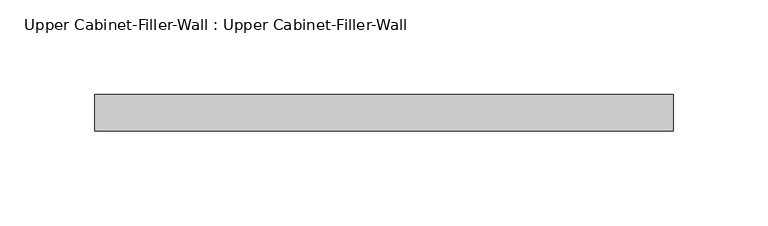
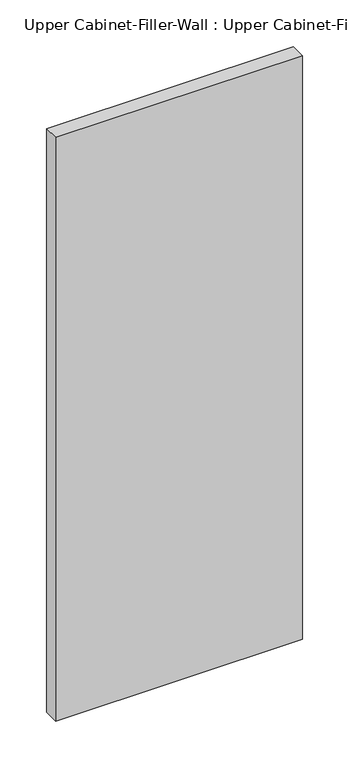
"""IFC4 building model written with IfcOpenShell, lengths in millimetres: furniture geometry, Upper Cabinet-Filler-Wall : Upper Cabinet-Filler-Wall."""

from ifc_helpers import new_model, si_unit, frame, origin, place, context, project, spatial, polyline, outline, extrude, source, transform, mapped, element, save


def upper_cabinet_filler_wall_upper_cabinet_filler_wall_db40f0be(model_context):
    return source(origin(), model_context, "Body", "SweptSolid", [
        extrude(outline(polyline([(-122.5934349, -358.125), (182.1357605, -358.125), (182.1357605, -377.175), (-122.5934349, -377.175), (-122.5934349, -358.125)])), frame((0.0, 0.0, 1371.6), z_axis=(0.0, 0.0, 1.0), x_axis=(1.0, 0.0, 0.0)), (0.0, 0.0, 1.0), 762.0),
    ])


if __name__ == "__main__":
    model = new_model("IFC4")
    model_context = context("Model", 3, world=origin())
    ifc_project = project(units=[si_unit("LENGTHUNIT", "METRE", prefix="MILLI")], contexts=[model_context])
    site = spatial("IfcSite", under=ifc_project)
    building = spatial("IfcBuilding", under=site)
    placement = place(None, origin())
    upper_cabinet_filler_wall_upper_cabinet_filler_wall_shape = upper_cabinet_filler_wall_upper_cabinet_filler_wall_db40f0be(model_context)
    element("IfcFurniture", 1, ObjectType="Upper Cabinet-Filler-Wall : Upper Cabinet-Filler-Wall", at=placement, inside=building, context=model_context, shape_type="MappedRepresentation", body=[
        mapped(upper_cabinet_filler_wall_upper_cabinet_filler_wall_shape, transform((0.0, 0.0, 0.0), x_axis=(1.0, 0.0, 0.0), y_axis=(0.0, 1.0, 0.0), z_axis=(0.0, 0.0, 1.0))),
    ])
    save(model, "model.ifc")
